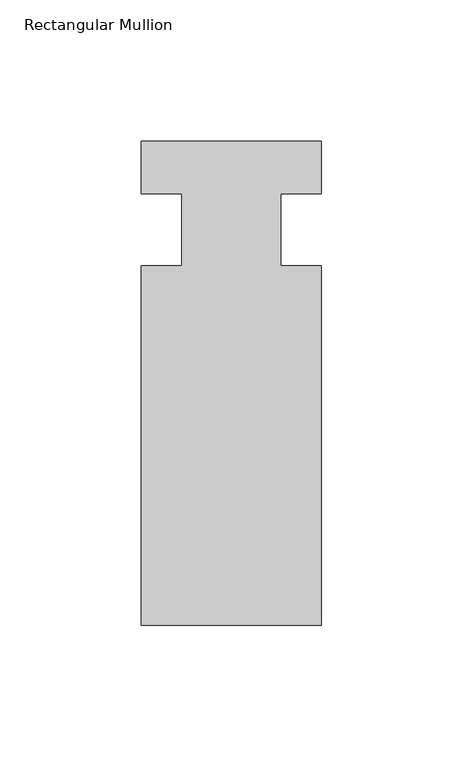
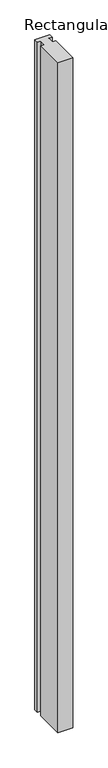
"""IFC4 building model written with IfcOpenShell, lengths in millimetres: member geometry, Rectangular Mullion."""

from ifc_helpers import new_model, si_unit, frame, origin, place, context, project, spatial, polyline, outline, extrude, source, transform, mapped, element, save


def rectangular_mullion_244e81f1(model_context):
    return source(origin(), model_context, "Body", "SweptSolid", [
        extrude(outline(polyline([(63.5, -139.6563438), (0.0, -139.6563438), (0.0, -12.6563438), (14.2875, -12.6563438), (14.2875, 12.7436562), (0.0, 12.7436562), (0.0, 31.2539062), (63.5, 31.2539062), (63.5, 12.7436562), (49.2125, 12.7436562), (49.2125, -12.6563438), (63.5, -12.6563184), (63.5, -139.6563438)])), frame((0.0, 0.0, -3048.0), z_axis=(0.0, 0.0, 1.0), x_axis=(1.0, 0.0, 0.0)), (0.0, 0.0, 1.0), 3048.0),
    ])


if __name__ == "__main__":
    model = new_model("IFC4")
    model_context = context("Model", 3, world=origin())
    ifc_project = project(units=[si_unit("LENGTHUNIT", "METRE", prefix="MILLI")], contexts=[model_context])
    site = spatial("IfcSite", under=ifc_project)
    building = spatial("IfcBuilding", under=site)
    placement = place(None, origin())
    rectangular_mullion_shape = rectangular_mullion_244e81f1(model_context)
    element("IfcMember", 1, ObjectType="Rectangular Mullion", at=placement, inside=building, context=model_context, shape_type="MappedRepresentation", body=[
        mapped(rectangular_mullion_shape, transform((0.0, 0.0, 0.0), x_axis=(1.0, 0.0, 0.0), y_axis=(0.0, 1.0, 0.0), z_axis=(0.0, 0.0, 1.0))),
    ])
    save(model, "model.ifc")
